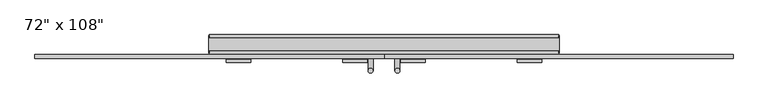
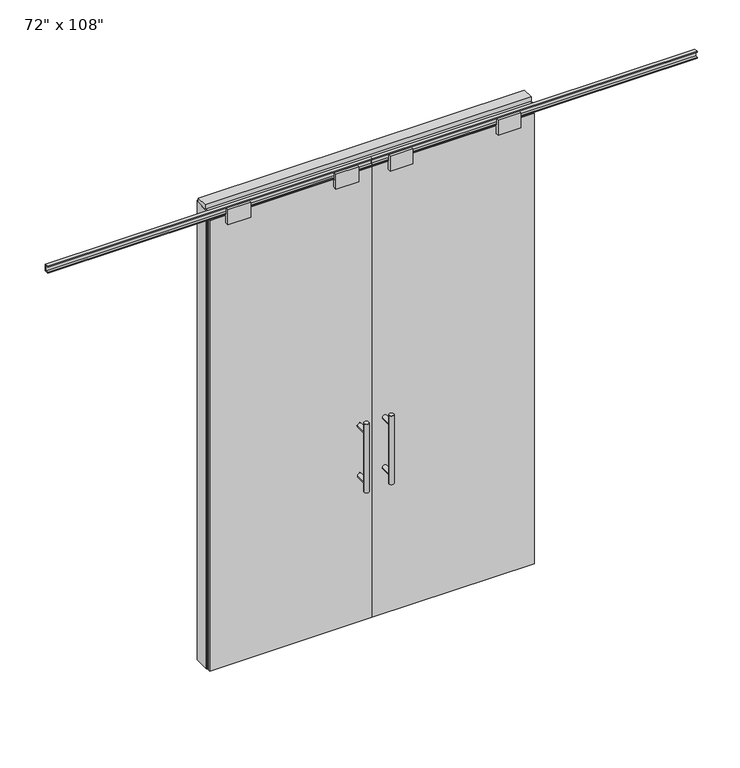
"""IFC4 building model written with IfcOpenShell, lengths in millimetres: furniture geometry."""

from ifc_helpers import new_model, si_unit, frame, origin, origin_with_axes, place, context, project, spatial, polyline, circle_curve, ellipse_curve, outline, extrude, source, transform, mapped, element, save
from ifc_brep_helpers import plane_surface, cylinder_surface, advanced_brep


def furniture_f28dcbd5(model_context):
    return source(origin(), model_context, "Body", "SolidModel", [
        extrude(outline(polyline([(-970.4995229, -74.3677216), (-970.4995229, -64.2077216), (-60.0365229, -64.2077216), (-60.0365229, -74.3677216), (-970.4995229, -74.3677216)])), origin_with_axes(), (0.0, 0.0, 1.0), 2670.81),
        advanced_brep(
        [(-117.3135229, 3.3562784, 1219.2), (-142.7135229, 3.3562784, 1219.2), (-117.3135229, 3.3562784, 812.8), (-142.7135229, 3.3562784, 812.8), (-117.3135229, 3.3562784, 1164.336), (-117.3135229, 3.3562784, 867.664), (-142.7135229, 3.3562784, 867.664), (-142.7135229, 3.3562784, 1164.336), (-117.3135229, -64.2077216, 1164.336), (-142.7135229, -64.2077216, 1164.336), (-117.3135229, -64.2077216, 867.664), (-142.7135229, -64.2077216, 867.664)],
        [
            (0, 1, circle_curve(frame((-130.0135229, 3.3562784, 1219.2), z_axis=(0.0, 0.0, 1.0), x_axis=(-1.0, 0.0, 0.0)), 12.7)),
            (1, 0, circle_curve(frame((-130.0135229, 3.3562784, 1219.2), z_axis=(0.0, 0.0, 1.0), x_axis=(-1.0, 0.0, 0.0)), 12.7)),
            (2, 3, circle_curve(frame((-130.0135229, 3.3562784, 812.8), z_axis=(0.0, 0.0, -1.0), x_axis=(-1.0, 0.0, 0.0)), 12.7)),
            (3, 2, circle_curve(frame((-130.0135229, 3.3562784, 812.8), z_axis=(0.0, 0.0, -1.0), x_axis=(-1.0, 0.0, 0.0)), 12.7)),
            (0, 4),
            (4, 5),
            (5, 2),
            (3, 6),
            (6, 7),
            (7, 1),
            (7, 4, ellipse_curve(frame((-130.0135229, 3.3562784, 1164.336), z_axis=(0.0, 0.707106781186565, 0.70710678118653), x_axis=(0.0, -0.70710678118653, 0.707106781186565)), 17.9605122, 12.7)),
            (5, 6, ellipse_curve(frame((-130.0135229, 3.3562784, 867.664), z_axis=(0.0, 0.70710678118653, -0.7071067811865649), x_axis=(0.0, 0.7071067811865648, 0.7071067811865301)), 17.9605122, 12.7)),
            (4, 7, ellipse_curve(frame((-130.0135229, 3.3562784, 1164.336), z_axis=(0.0, 0.70710678118653, -0.7071067811865649), x_axis=(0.0, 0.7071067811865648, 0.7071067811865301)), 17.9605122, 12.7)),
            (6, 5, ellipse_curve(frame((-130.0135229, 3.3562784, 867.664), z_axis=(0.0, 0.707106781186565, 0.70710678118653), x_axis=(0.0, -0.70710678118653, 0.707106781186565)), 17.9605122, 12.7)),
            (8, 9, circle_curve(frame((-130.0135229, -64.2077216, 1164.336), z_axis=(0.0, -1.0, 0.0), x_axis=(-1.0, 0.0, 0.0)), 12.7)),
            (9, 8, circle_curve(frame((-130.0135229, -64.2077216, 1164.336), z_axis=(0.0, -1.0, 0.0), x_axis=(-1.0, 0.0, 0.0)), 12.7)),
            (9, 7),
            (4, 8),
            (10, 11, circle_curve(frame((-130.0135229, -64.2077216, 867.664), z_axis=(0.0, -1.0, 0.0), x_axis=(-1.0, 0.0, 0.0)), 12.7)),
            (11, 10, circle_curve(frame((-130.0135229, -64.2077216, 867.664), z_axis=(0.0, -1.0, 0.0), x_axis=(-1.0, 0.0, 0.0)), 12.7)),
            (11, 6),
            (5, 10),
        ],
        [
            plane_surface(frame((-142.7135229, 3.3562784, 1219.2), z_axis=(0.0, 0.0, 1.0), x_axis=(0.0, -1.0, 0.0))),
            plane_surface(frame((-142.7135229, 3.3562784, 812.8), z_axis=(0.0, 0.0, -1.0), x_axis=(0.0, 1.0, 0.0))),
            cylinder_surface(frame((-130.0135229, 3.3562784, 812.8), z_axis=(0.0, 0.0, 1.0), x_axis=(-1.0, 0.0, 0.0)), 12.7),
            plane_surface(frame((-142.7135229, -64.2077216, 1164.336), z_axis=(0.0, -1.0, 0.0), x_axis=(0.0, 0.0, -1.0))),
            cylinder_surface(frame((-130.0135229, -64.2077216, 1164.336), z_axis=(0.0, 1.0, 0.0), x_axis=(-1.0, 0.0, 0.0)), 12.7),
            plane_surface(frame((-142.7135229, -64.2077216, 867.664), z_axis=(0.0, -1.0, 0.0), x_axis=(0.0, 0.0, -1.0))),
            cylinder_surface(frame((-130.0135229, -64.2077216, 867.664), z_axis=(0.0, 1.0, 0.0), x_axis=(-1.0, 0.0, 0.0)), 12.7),
        ],
        [
            (0, [[1, 2]]),
            (1, [[3, 4]]),
            (2, [[-1, 5, 6, 7, -4, 8, 9, 10]]),
            (2, [[-2, -10, 11, -5]]),
            (2, [[-3, -7, 12, -8]]),
            (2, [[13, -9, 14, -6]]),
            (3, [[15, 16]]),
            (4, [[-16, 17, -13, 18]]),
            (4, [[-15, -18, -11, -17]]),
            (5, [[19, 20]]),
            (6, [[-20, 21, -12, 22]]),
            (6, [[-19, -22, -14, -21]]),
        ],
    ),
        advanced_brep(
        [(-117.3135229, -141.9317216, 1219.2), (-142.7135229, -141.9317216, 1219.2), (-117.3135229, -141.9317216, 812.8), (-142.7135229, -141.9317216, 812.8), (-142.7135229, -141.9317216, 1164.336), (-142.7135229, -141.9317216, 867.664), (-117.3135229, -141.9317216, 867.664), (-117.3135229, -141.9317216, 1164.336), (-117.3135229, -74.3677216, 1164.336), (-142.7135229, -74.3677216, 1164.336), (-117.3135229, -74.3677216, 867.664), (-142.7135229, -74.3677216, 867.664)],
        [
            (0, 1, circle_curve(frame((-130.0135229, -141.9317216, 1219.2), z_axis=(0.0, 0.0, 1.0), x_axis=(-1.0, 0.0, 0.0)), 12.7)),
            (1, 0, circle_curve(frame((-130.0135229, -141.9317216, 1219.2), z_axis=(0.0, 0.0, 1.0), x_axis=(-1.0, 0.0, 0.0)), 12.7)),
            (2, 3, circle_curve(frame((-130.0135229, -141.9317216, 812.8), z_axis=(0.0, 0.0, -1.0), x_axis=(-1.0, 0.0, 0.0)), 12.7)),
            (3, 2, circle_curve(frame((-130.0135229, -141.9317216, 812.8), z_axis=(0.0, 0.0, -1.0), x_axis=(-1.0, 0.0, 0.0)), 12.7)),
            (1, 4),
            (4, 5),
            (5, 3),
            (2, 6),
            (6, 7),
            (7, 0),
            (6, 5, ellipse_curve(frame((-130.0135229, -141.9317216, 867.664), z_axis=(0.0, -0.707106781186565, 0.70710678118653), x_axis=(0.0, 0.70710678118653, 0.707106781186565)), 17.9605122, 12.7)),
            (4, 7, ellipse_curve(frame((-130.0135229, -141.9317216, 1164.336), z_axis=(0.0, -0.70710678118653, -0.7071067811865649), x_axis=(0.0, -0.7071067811865648, 0.7071067811865301)), 17.9605122, 12.7)),
            (7, 4, ellipse_curve(frame((-130.0135229, -141.9317216, 1164.336), z_axis=(0.0, -0.707106781186565, 0.70710678118653), x_axis=(0.0, 0.70710678118653, 0.707106781186565)), 17.9605122, 12.7)),
            (5, 6, ellipse_curve(frame((-130.0135229, -141.9317216, 867.664), z_axis=(0.0, -0.70710678118653, -0.7071067811865649), x_axis=(0.0, -0.7071067811865648, 0.7071067811865301)), 17.9605122, 12.7)),
            (8, 9, circle_curve(frame((-130.0135229, -74.3677216, 1164.336), z_axis=(0.0, 1.0, 0.0), x_axis=(-1.0, 0.0, 0.0)), 12.7)),
            (9, 8, circle_curve(frame((-130.0135229, -74.3677216, 1164.336), z_axis=(0.0, 1.0, 0.0), x_axis=(-1.0, 0.0, 0.0)), 12.7)),
            (8, 7),
            (4, 9),
            (10, 11, circle_curve(frame((-130.0135229, -74.3677216, 867.664), z_axis=(0.0, 1.0, 0.0), x_axis=(-1.0, 0.0, 0.0)), 12.7)),
            (11, 10, circle_curve(frame((-130.0135229, -74.3677216, 867.664), z_axis=(0.0, 1.0, 0.0), x_axis=(-1.0, 0.0, 0.0)), 12.7)),
            (10, 6),
            (5, 11),
        ],
        [
            plane_surface(frame((-142.7135229, -141.9317216, 1219.2), z_axis=(0.0, 0.0, 1.0), x_axis=(0.0, 1.0, 0.0))),
            plane_surface(frame((-142.7135229, -141.9317216, 812.8), z_axis=(0.0, 0.0, -1.0), x_axis=(0.0, -1.0, 0.0))),
            cylinder_surface(frame((-130.0135229, -141.9317216, 812.8), z_axis=(0.0, 0.0, 1.0), x_axis=(-1.0, 0.0, 0.0)), 12.7),
            plane_surface(frame((-142.7135229, -74.3677216, 1164.336), z_axis=(0.0, 1.0, 0.0), x_axis=(0.0, 0.0, -1.0))),
            cylinder_surface(frame((-130.0135229, -74.3677216, 1164.336), z_axis=(0.0, -1.0, 0.0), x_axis=(-1.0, 0.0, 0.0)), 12.7),
            plane_surface(frame((-142.7135229, -74.3677216, 867.664), z_axis=(0.0, 1.0, 0.0), x_axis=(0.0, 0.0, -1.0))),
            cylinder_surface(frame((-130.0135229, -74.3677216, 867.664), z_axis=(0.0, -1.0, 0.0), x_axis=(-1.0, 0.0, 0.0)), 12.7),
        ],
        [
            (0, [[1, 2]]),
            (1, [[3, 4]]),
            (2, [[5, 6, 7, -3, 8, 9, 10, -2]]),
            (2, [[-9, 11, -6, 12]]),
            (2, [[-10, 13, -5, -1]]),
            (2, [[-7, 14, -8, -4]]),
            (3, [[15, 16]]),
            (4, [[17, -12, 18, -15]]),
            (4, [[-18, -13, -17, -16]]),
            (5, [[19, 20]]),
            (6, [[21, -14, 22, -19]]),
            (6, [[-22, -11, -21, -20]]),
        ],
    ),
        extrude(outline(polyline([(-63.1282216, 2628.9), (-63.1282216, 2670.81), (-75.4472216, 2670.81), (-75.4472216, 2628.9), (-97.6722216, 2628.9), (-97.6722216, 2717.8), (-82.1782216, 2717.8), (-82.1782216, 2676.779), (-59.5722216, 2676.779), (-59.5722216, 2628.9), (-63.1282216, 2628.9)])), frame((-276.3175229, 0.0, 0.0), z_axis=(1.0, 0.0, 0.0), x_axis=(0.0, 1.0, 0.0)), (0.0, 0.0, 1.0), 128.016),
        extrude(outline(polyline([(-63.1282216, 2628.9), (-63.1282216, 2670.81), (-75.4472216, 2670.81), (-75.4472216, 2628.9), (-97.6722216, 2628.9), (-97.6722216, 2717.8), (-82.1782216, 2717.8), (-82.1782216, 2676.779), (-59.5722216, 2676.779), (-59.5722216, 2628.9), (-63.1282216, 2628.9)])), frame((-882.2345229, 0.0, 0.0), z_axis=(1.0, 0.0, 0.0), x_axis=(0.0, 1.0, 0.0)), (0.0, 0.0, 1.0), 128.016),
        extrude(outline(polyline([(-77.9237216, 2681.478), (-77.9237216, 2686.812), (-65.2237216, 2686.812), (-65.2237216, 2715.768), (-77.9237216, 2715.768), (-77.9237216, 2721.102), (-56.2067216, 2721.102), (-56.2067216, 2681.478), (-77.9237216, 2681.478)])), frame((-1880.9625229, 0.0, 0.0), z_axis=(1.0, 0.0, 0.0), x_axis=(0.0, 1.0, 0.0)), (0.0, 0.0, 1.0), 1820.926),
        extrude(outline(polyline([(850.4264771, -74.3677216), (-60.0365229, -74.3677216), (-60.0365229, -64.2077216), (850.4264771, -64.2077216), (850.4264771, -74.3677216)])), origin_with_axes(), (0.0, 0.0, 1.0), 2670.81),
        advanced_brep(
        [(-2.7595229, 3.3562784, 1219.2), (22.6404771, 3.3562784, 1219.2), (-2.7595229, 3.3562784, 812.8), (22.6404771, 3.3562784, 812.8), (22.6404771, 3.3562784, 1164.336), (22.6404771, 3.3562784, 867.664), (-2.7595229, 3.3562784, 867.664), (-2.7595229, 3.3562784, 1164.336), (-2.7595229, -64.2077216, 1164.336), (22.6404771, -64.2077216, 1164.336), (-2.7595229, -64.2077216, 867.664), (22.6404771, -64.2077216, 867.664)],
        [
            (0, 1, circle_curve(frame((9.9404771, 3.3562784, 1219.2), z_axis=(0.0, 0.0, 1.0), x_axis=(1.0, 0.0, 0.0)), 12.7)),
            (1, 0, circle_curve(frame((9.9404771, 3.3562784, 1219.2), z_axis=(0.0, 0.0, 1.0), x_axis=(1.0, 0.0, 0.0)), 12.7)),
            (2, 3, circle_curve(frame((9.9404771, 3.3562784, 812.8), z_axis=(0.0, 0.0, -1.0), x_axis=(1.0, 0.0, 0.0)), 12.7)),
            (3, 2, circle_curve(frame((9.9404771, 3.3562784, 812.8), z_axis=(0.0, 0.0, -1.0), x_axis=(1.0, 0.0, 0.0)), 12.7)),
            (1, 4),
            (4, 5),
            (5, 3),
            (2, 6),
            (6, 7),
            (7, 0),
            (6, 5, ellipse_curve(frame((9.9404771, 3.3562784, 867.664), z_axis=(0.0, 0.707106781186565, 0.70710678118653), x_axis=(0.0, -0.70710678118653, 0.707106781186565)), 17.9605122, 12.7)),
            (4, 7, ellipse_curve(frame((9.9404771, 3.3562784, 1164.336), z_axis=(0.0, 0.70710678118653, -0.7071067811865649), x_axis=(0.0, 0.7071067811865648, 0.7071067811865301)), 17.9605122, 12.7)),
            (7, 4, ellipse_curve(frame((9.9404771, 3.3562784, 1164.336), z_axis=(0.0, 0.707106781186565, 0.70710678118653), x_axis=(0.0, -0.70710678118653, 0.707106781186565)), 17.9605122, 12.7)),
            (5, 6, ellipse_curve(frame((9.9404771, 3.3562784, 867.664), z_axis=(0.0, 0.70710678118653, -0.7071067811865649), x_axis=(0.0, 0.7071067811865648, 0.7071067811865301)), 17.9605122, 12.7)),
            (8, 9, circle_curve(frame((9.9404771, -64.2077216, 1164.336), z_axis=(0.0, -1.0, 0.0), x_axis=(1.0, 0.0, 0.0)), 12.7)),
            (9, 8, circle_curve(frame((9.9404771, -64.2077216, 1164.336), z_axis=(0.0, -1.0, 0.0), x_axis=(1.0, 0.0, 0.0)), 12.7)),
            (8, 7),
            (4, 9),
            (10, 11, circle_curve(frame((9.9404771, -64.2077216, 867.664), z_axis=(0.0, -1.0, 0.0), x_axis=(1.0, 0.0, 0.0)), 12.7)),
            (11, 10, circle_curve(frame((9.9404771, -64.2077216, 867.664), z_axis=(0.0, -1.0, 0.0), x_axis=(1.0, 0.0, 0.0)), 12.7)),
            (10, 6),
            (5, 11),
        ],
        [
            plane_surface(frame((22.6404771, 3.3562784, 1219.2), z_axis=(0.0, 0.0, 1.0), x_axis=(0.0, -1.0, 0.0))),
            plane_surface(frame((22.6404771, 3.3562784, 812.8), z_axis=(0.0, 0.0, -1.0), x_axis=(0.0, 1.0, 0.0))),
            cylinder_surface(frame((9.9404771, 3.3562784, 812.8), z_axis=(0.0, 0.0, 1.0), x_axis=(1.0, 0.0, 0.0)), 12.7),
            plane_surface(frame((22.6404771, -64.2077216, 1164.336), z_axis=(0.0, -1.0, 0.0), x_axis=(0.0, 0.0, -1.0))),
            cylinder_surface(frame((9.9404771, -64.2077216, 1164.336), z_axis=(0.0, 1.0, 0.0), x_axis=(1.0, 0.0, 0.0)), 12.7),
            plane_surface(frame((22.6404771, -64.2077216, 867.664), z_axis=(0.0, -1.0, 0.0), x_axis=(0.0, 0.0, -1.0))),
            cylinder_surface(frame((9.9404771, -64.2077216, 867.664), z_axis=(0.0, 1.0, 0.0), x_axis=(1.0, 0.0, 0.0)), 12.7),
        ],
        [
            (0, [[1, 2]]),
            (1, [[3, 4]]),
            (2, [[5, 6, 7, -3, 8, 9, 10, -2]]),
            (2, [[-9, 11, -6, 12]]),
            (2, [[-10, 13, -5, -1]]),
            (2, [[-7, 14, -8, -4]]),
            (3, [[15, 16]]),
            (4, [[17, -12, 18, -15]]),
            (4, [[-18, -13, -17, -16]]),
            (5, [[19, 20]]),
            (6, [[21, -14, 22, -19]]),
            (6, [[-22, -11, -21, -20]]),
        ],
    ),
        advanced_brep(
        [(-2.7595229, -141.9317216, 1219.2), (22.6404771, -141.9317216, 1219.2), (-2.7595229, -141.9317216, 812.8), (22.6404771, -141.9317216, 812.8), (-2.7595229, -141.9317216, 1164.336), (-2.7595229, -141.9317216, 867.664), (22.6404771, -141.9317216, 867.664), (22.6404771, -141.9317216, 1164.336), (-2.7595229, -74.3677216, 1164.336), (22.6404771, -74.3677216, 1164.336), (-2.7595229, -74.3677216, 867.664), (22.6404771, -74.3677216, 867.664)],
        [
            (0, 1, circle_curve(frame((9.9404771, -141.9317216, 1219.2), z_axis=(0.0, 0.0, 1.0), x_axis=(1.0, 0.0, 0.0)), 12.7)),
            (1, 0, circle_curve(frame((9.9404771, -141.9317216, 1219.2), z_axis=(0.0, 0.0, 1.0), x_axis=(1.0, 0.0, 0.0)), 12.7)),
            (2, 3, circle_curve(frame((9.9404771, -141.9317216, 812.8), z_axis=(0.0, 0.0, -1.0), x_axis=(1.0, 0.0, 0.0)), 12.7)),
            (3, 2, circle_curve(frame((9.9404771, -141.9317216, 812.8), z_axis=(0.0, 0.0, -1.0), x_axis=(1.0, 0.0, 0.0)), 12.7)),
            (0, 4),
            (4, 5),
            (5, 2),
            (3, 6),
            (6, 7),
            (7, 1),
            (7, 4, ellipse_curve(frame((9.9404771, -141.9317216, 1164.336), z_axis=(0.0, -0.707106781186565, 0.70710678118653), x_axis=(0.0, 0.70710678118653, 0.707106781186565)), 17.9605122, 12.7)),
            (5, 6, ellipse_curve(frame((9.9404771, -141.9317216, 867.664), z_axis=(0.0, -0.70710678118653, -0.7071067811865649), x_axis=(0.0, -0.7071067811865648, 0.7071067811865301)), 17.9605122, 12.7)),
            (4, 7, ellipse_curve(frame((9.9404771, -141.9317216, 1164.336), z_axis=(0.0, -0.70710678118653, -0.7071067811865649), x_axis=(0.0, -0.7071067811865648, 0.7071067811865301)), 17.9605122, 12.7)),
            (6, 5, ellipse_curve(frame((9.9404771, -141.9317216, 867.664), z_axis=(0.0, -0.707106781186565, 0.70710678118653), x_axis=(0.0, 0.70710678118653, 0.707106781186565)), 17.9605122, 12.7)),
            (8, 9, circle_curve(frame((9.9404771, -74.3677216, 1164.336), z_axis=(0.0, 1.0, 0.0), x_axis=(1.0, 0.0, 0.0)), 12.7)),
            (9, 8, circle_curve(frame((9.9404771, -74.3677216, 1164.336), z_axis=(0.0, 1.0, 0.0), x_axis=(1.0, 0.0, 0.0)), 12.7)),
            (9, 7),
            (4, 8),
            (10, 11, circle_curve(frame((9.9404771, -74.3677216, 867.664), z_axis=(0.0, 1.0, 0.0), x_axis=(1.0, 0.0, 0.0)), 12.7)),
            (11, 10, circle_curve(frame((9.9404771, -74.3677216, 867.664), z_axis=(0.0, 1.0, 0.0), x_axis=(1.0, 0.0, 0.0)), 12.7)),
            (11, 6),
            (5, 10),
        ],
        [
            plane_surface(frame((22.6404771, -141.9317216, 1219.2), z_axis=(0.0, 0.0, 1.0), x_axis=(0.0, 1.0, 0.0))),
            plane_surface(frame((22.6404771, -141.9317216, 812.8), z_axis=(0.0, 0.0, -1.0), x_axis=(0.0, -1.0, 0.0))),
            cylinder_surface(frame((9.9404771, -141.9317216, 812.8), z_axis=(0.0, 0.0, 1.0), x_axis=(1.0, 0.0, 0.0)), 12.7),
            plane_surface(frame((22.6404771, -74.3677216, 1164.336), z_axis=(0.0, 1.0, 0.0), x_axis=(0.0, 0.0, -1.0))),
            cylinder_surface(frame((9.9404771, -74.3677216, 1164.336), z_axis=(0.0, -1.0, 0.0), x_axis=(1.0, 0.0, 0.0)), 12.7),
            plane_surface(frame((22.6404771, -74.3677216, 867.664), z_axis=(0.0, 1.0, 0.0), x_axis=(0.0, 0.0, -1.0))),
            cylinder_surface(frame((9.9404771, -74.3677216, 867.664), z_axis=(0.0, -1.0, 0.0), x_axis=(1.0, 0.0, 0.0)), 12.7),
        ],
        [
            (0, [[1, 2]]),
            (1, [[3, 4]]),
            (2, [[-1, 5, 6, 7, -4, 8, 9, 10]]),
            (2, [[-2, -10, 11, -5]]),
            (2, [[-3, -7, 12, -8]]),
            (2, [[13, -9, 14, -6]]),
            (3, [[15, 16]]),
            (4, [[-16, 17, -13, 18]]),
            (4, [[-15, -18, -11, -17]]),
            (5, [[19, 20]]),
            (6, [[-20, 21, -12, 22]]),
            (6, [[-19, -22, -14, -21]]),
        ],
    ),
        extrude(outline(polyline([(-63.1282216, 2628.9), (-63.1282216, 2670.81), (-75.4472216, 2670.81), (-75.4472216, 2628.9), (-97.6722216, 2628.9), (-97.6722216, 2717.8), (-82.1782216, 2717.8), (-82.1782216, 2676.779), (-59.5722216, 2676.779), (-59.5722216, 2628.9), (-63.1282216, 2628.9)])), frame((28.2284771, 0.0, 0.0), z_axis=(1.0, 0.0, 0.0), x_axis=(0.0, 1.0, 0.0)), (0.0, 0.0, 1.0), 128.016),
        extrude(outline(polyline([(-63.1282216, 2628.9), (-63.1282216, 2670.81), (-75.4472216, 2670.81), (-75.4472216, 2628.9), (-97.6722216, 2628.9), (-97.6722216, 2717.8), (-82.1782216, 2717.8), (-82.1782216, 2676.779), (-59.5722216, 2676.779), (-59.5722216, 2628.9), (-63.1282216, 2628.9)])), frame((634.1454771, 0.0, 0.0), z_axis=(1.0, 0.0, 0.0), x_axis=(0.0, 1.0, 0.0)), (0.0, 0.0, 1.0), 128.016),
        extrude(outline(polyline([(-77.9237216, 2681.478), (-77.9237216, 2686.812), (-65.2237216, 2686.812), (-65.2237216, 2715.768), (-77.9237216, 2715.768), (-77.9237216, 2721.102), (-56.2067216, 2721.102), (-56.2067216, 2681.478), (-77.9237216, 2681.478)])), frame((-60.0365229, 0.0, 0.0), z_axis=(1.0, 0.0, 0.0), x_axis=(0.0, 1.0, 0.0)), (0.0, 0.0, 1.0), 1820.926),
        extrude(outline(polyline([(-970.4995229, -55.3177216), (-970.4995229, 46.2822784), (850.4264771, 46.2822784), (850.4264771, -55.3177216), (-970.4995229, -55.3177216)])), frame((0.0, 0.0, 2654.3), z_axis=(0.0, 0.0, 1.0), x_axis=(1.0, 0.0, 0.0)), (0.0, 0.0, 1.0), 22.225),
        extrude(outline(polyline([(854.3634771, -50.3647216), (850.4264771, -50.3647216), (850.4264771, 41.3292784), (854.3634771, 41.3292784), (854.3634771, -50.3647216)])), origin_with_axes(), (0.0, 0.0, 1.0), 2717.8),
        extrude(outline(polyline([(-974.4365229, -50.3647216), (-974.4365229, 41.3292784), (-970.4995229, 41.3292784), (-970.4995229, -50.3647216), (-974.4365229, -50.3647216)])), origin_with_axes(), (0.0, 0.0, 1.0), 2717.8),
        extrude(outline(polyline([(828.2014771, -55.3177216), (828.2014771, 46.2822784), (850.4264771, 46.2822784), (850.4264771, -55.3177216), (828.2014771, -55.3177216)])), origin_with_axes(), (0.0, 0.0, 1.0), 2654.3),
        extrude(outline(polyline([(-948.2745229, -55.3177216), (-970.4995229, -55.3177216), (-970.4995229, 46.2822784), (-948.2745229, 46.2822784), (-948.2745229, -55.3177216)])), origin_with_axes(), (0.0, 0.0, 1.0), 2654.3),
        extrude(outline(polyline([(-55.3177216, 2681.478), (-55.3177216, 2717.8), (46.2822784, 2717.8), (46.2822784, 2681.478), (41.3292784, 2681.478), (41.3292784, 2676.525), (-50.3647216, 2676.525), (-50.3647216, 2681.478), (-55.3177216, 2681.478)])), frame((-970.4995229, 0.0, 0.0), z_axis=(1.0, 0.0, 0.0), x_axis=(0.0, 1.0, 0.0)), (0.0, 0.0, 1.0), 1820.926),
        extrude(outline(polyline([(-974.4365229, -37.0297216), (-974.4365229, 27.9942784), (854.3634771, 27.9942784), (854.3634771, -37.0297216), (-974.4365229, -37.0297216)])), frame((0.0, 0.0, 2717.8), z_axis=(0.0, 0.0, 1.0), x_axis=(1.0, 0.0, 0.0)), (0.0, 0.0, 1.0), 25.4),
    ])


if __name__ == "__main__":
    model = new_model("IFC4")
    model_context = context("Model", 3, world=origin())
    ifc_project = project(units=[si_unit("LENGTHUNIT", "METRE", prefix="MILLI")], contexts=[model_context])
    site = spatial("IfcSite", under=ifc_project)
    building = spatial("IfcBuilding", under=site)
    placement = place(None, origin())
    furniture_shape = furniture_f28dcbd5(model_context)
    element("IfcFurniture", 1, ObjectType="72\" x 108\"", at=placement, inside=building, context=model_context, shape_type="MappedRepresentation", body=[
        mapped(furniture_shape, transform((0.0, 0.0, 0.0), x_axis=(1.0, 0.0, 0.0), y_axis=(0.0, 1.0, 0.0), z_axis=(0.0, 0.0, 1.0))),
    ])
    save(model, "model.ifc")
